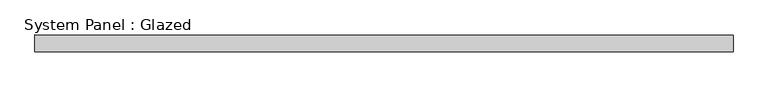
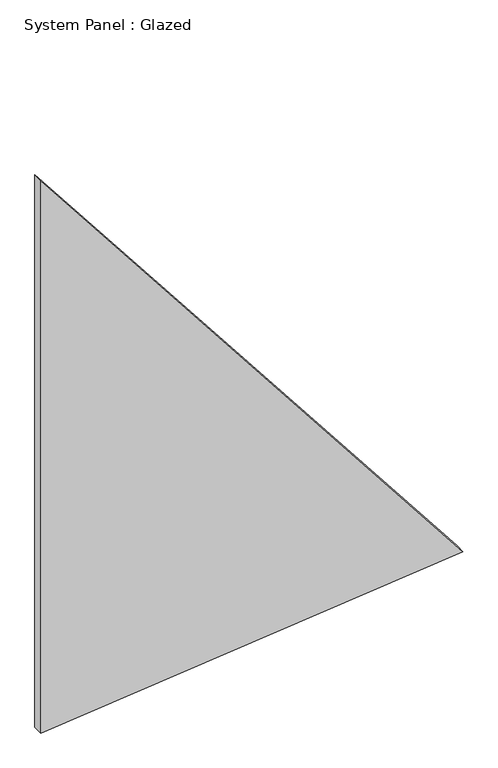
"""IFC4 building model written with IfcOpenShell, lengths in millimetres: plate geometry, System Panel : Glazed."""

from ifc_helpers import new_model, si_unit, frame, origin, place, context, project, spatial, polyline, outline, extrude, source, transform, mapped, element, save


def system_panel_glazed_1b66a764(model_context):
    return source(origin(), model_context, "Body", "SweptSolid", [
        extrude(outline(polyline([(0.0, -748.5829306), (156.4866685, 748.5829306), (2071.5370355, -748.5829306), (0.0, -748.5829306)])), frame((0.0, -18.0, 0.0), z_axis=(0.0, 1.0, 0.0), x_axis=(0.0, 0.0, 1.0)), (0.0, 0.0, 1.0), 36.0),
    ])


if __name__ == "__main__":
    model = new_model("IFC4")
    model_context = context("Model", 3, world=origin())
    ifc_project = project(units=[si_unit("LENGTHUNIT", "METRE", prefix="MILLI")], contexts=[model_context])
    site = spatial("IfcSite", under=ifc_project)
    building = spatial("IfcBuilding", under=site)
    placement = place(None, origin())
    system_panel_glazed_shape = system_panel_glazed_1b66a764(model_context)
    element("IfcPlate", 1, ObjectType="System Panel : Glazed", at=placement, inside=building, context=model_context, shape_type="MappedRepresentation", body=[
        mapped(system_panel_glazed_shape, transform((0.0, 0.0, 0.0), x_axis=(1.0, 0.0, 0.0), y_axis=(0.0, 1.0, 0.0), z_axis=(0.0, 0.0, 1.0))),
    ])
    save(model, "model.ifc")
